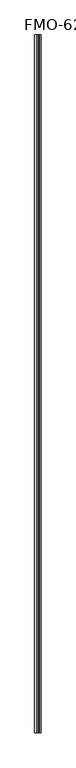
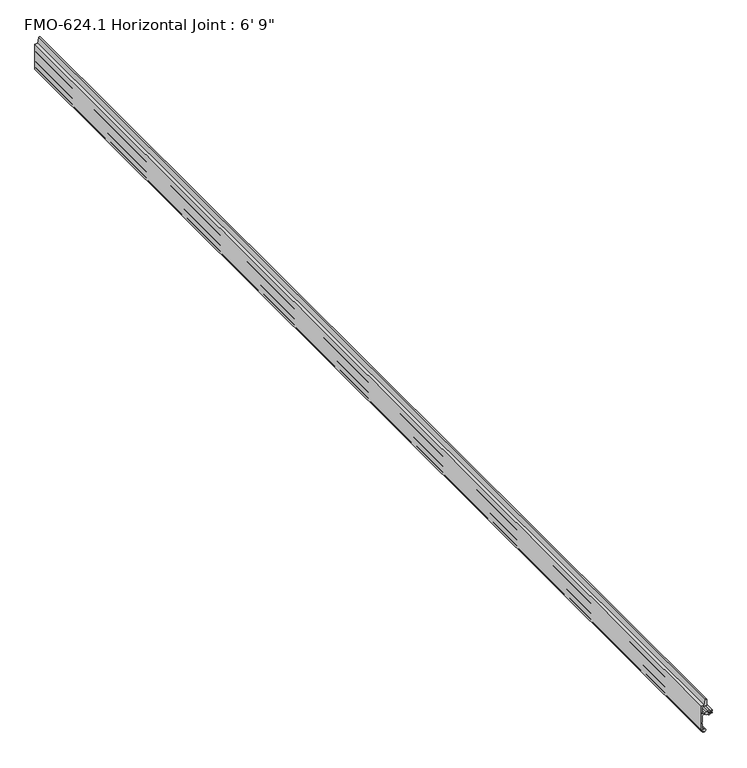
"""IFC4 building model written with IfcOpenShell, lengths in millimetres: proxy geometry."""

from ifc_helpers import new_model, si_unit, frame, origin, place, context, project, spatial, polyline, circle_curve, source, transform, mapped, element, save
from ifc_brep_helpers import plane_surface, cylinder_surface, revolved_surface, advanced_brep


def proxy_f82b5738(model_context):
    return source(origin(), model_context, "Body", "AdvancedBrep", [
        advanced_brep(
        [(43.8864961, 1943.6918793, 85.2309929), (45.6972862, 1943.6918793, 95.8071113), (48.0188665, 1943.6918793, 95.7408382), (48.0188665, 1943.6918793, 83.6561486), (41.3513016, 1943.6918793, 83.6561486), (40.0813235, 1943.6918793, 82.3804568), (40.0813235, 1943.6918793, 78.7644603), (39.6628931, 1943.6918793, 78.0397176), (39.6628931, 1943.6918793, 77.1283622), (40.0813391, 1943.6918793, 76.4035924), (40.0813391, 1943.6918793, 73.5408238), (40.0813391, 1943.6918793, 71.7729498), (41.9865077, 1943.6918793, 69.8679498), (45.7944714, 1943.6918793, 69.8644506), (47.3838391, 1943.6918793, 71.8962402), (50.5715391, 1943.6918793, 71.8962402), (53.7211391, 1943.6918793, 71.8962402), (57.5438391, 1943.6918793, 71.8962402), (57.5438391, 1943.6918793, 70.3214402), (56.5836387, 1943.6918793, 70.5967732), (55.6418383, 1943.6918793, 70.3267163), (54.8706628, 1943.6918793, 70.5772864), (54.122071, 1943.6918793, 70.3340542), (53.3656016, 1943.6918793, 70.579846), (52.6041542, 1943.6918793, 70.3324367), (51.8492918, 1943.6918793, 70.5777064), (51.0644896, 1943.6918793, 70.3227087), (50.0508391, 1943.6918793, 70.5754402), (50.0508391, 1943.6918793, 67.5274405), (51.0644896, 1943.6918793, 67.7801719), (51.8492918, 1943.6918793, 67.5251742), (52.6041542, 1943.6918793, 67.7704439), (53.3656016, 1943.6918793, 67.5230347), (54.122071, 1943.6918793, 67.7688265), (54.8706628, 1943.6918793, 67.5255943), (55.6418383, 1943.6918793, 67.7761644), (56.5836387, 1943.6918793, 67.5061074), (57.5438391, 1943.6918793, 67.7814405), (57.5438391, 1943.6918793, 66.2066402), (53.7211391, 1943.6918793, 66.2066402), (50.5715391, 1943.6918793, 66.2066402), (47.3838391, 1943.6918793, 66.2066402), (45.6909777, 1943.6918793, 68.2349308), (41.9863391, 1943.6918793, 68.2349308), (40.0813391, 1943.6918793, 66.3299308), (40.0813391, 1943.6918793, 55.3158626), (39.5721753, 1943.6918793, 54.7090648), (39.5721753, 1943.6918793, 52.7476605), (40.0813391, 1943.6918793, 52.1408626), (40.0813391, 1943.6918793, 40.9532506), (41.2663611, 1943.6918793, 40.7928411), (41.3889013, 1943.6918793, 41.5665297), (41.8602357, 1943.6918793, 42.1592975), (43.9037704, 1943.6918793, 41.510087), (45.5976091, 1943.6918793, 37.0130104), (43.9037704, 1943.6918793, 35.6909337), (42.2042526, 1943.6918793, 35.1604948), (41.3889013, 1943.6918793, 35.7314099), (41.3889013, 1943.6918793, 37.0797506), (39.8014013, 1943.6918793, 38.6672506), (38.4938391, 1943.6918793, 38.6672506), (38.4938391, 1943.6918793, 85.2309929), (43.8864961, -113.7081207, 85.2309929), (38.4938391, -113.7081207, 85.2309929), (38.4938391, -113.7081207, 38.6672506), (39.8014013, -113.7081207, 38.6672506), (41.3889013, -113.7081207, 37.0797506), (41.3889013, -113.7081207, 35.7314099), (42.2042526, -113.7081207, 35.1604948), (43.9037704, -113.7081207, 35.6909337), (45.5976091, -113.7081207, 37.0130104), (43.9037704, -113.7081207, 41.510087), (41.8602357, -113.7081207, 42.1592975), (41.3889013, -113.7081207, 41.5665297), (41.2663611, -113.7081207, 40.7928411), (40.0813391, -113.7081207, 40.9532506), (40.0813391, -113.7081207, 52.1408626), (39.5721753, -113.7081207, 52.7476605), (39.5721753, -113.7081207, 54.7090648), (40.0813391, -113.7081207, 55.3158626), (40.0813391, -113.7081207, 66.3299308), (41.9863391, -113.7081207, 68.2349308), (45.6909777, -113.7081207, 68.2349308), (47.3838391, -113.7081207, 66.2066402), (50.5715391, -113.7081207, 66.2066402), (53.7211391, -113.7081207, 66.2066402), (57.5438391, -113.7081207, 66.2066402), (57.5438391, -113.7081207, 67.7814405), (56.5836387, -113.7081207, 67.5061074), (55.6418383, -113.7081207, 67.7761644), (54.8706628, -113.7081207, 67.5255943), (54.122071, -113.7081207, 67.7688265), (53.3656016, -113.7081207, 67.5230347), (52.6041542, -113.7081207, 67.7704439), (51.8492918, -113.7081207, 67.5251742), (51.0644896, -113.7081207, 67.7801719), (50.0508391, -113.7081207, 67.5274405), (50.0508391, -113.7081207, 70.5754402), (51.0644896, -113.7081207, 70.3227087), (51.8492918, -113.7081207, 70.5777064), (52.6041542, -113.7081207, 70.3324367), (53.3656016, -113.7081207, 70.579846), (54.122071, -113.7081207, 70.3340542), (54.8706628, -113.7081207, 70.5772864), (55.6418383, -113.7081207, 70.3267163), (56.5836387, -113.7081207, 70.5967732), (57.5438391, -113.7081207, 70.3214402), (57.5438391, -113.7081207, 71.8962402), (53.7211391, -113.7081207, 71.8962402), (50.5715391, -113.7081207, 71.8962402), (47.3838391, -113.7081207, 71.8962402), (45.7944714, -113.7081207, 69.8644506), (41.9865077, -113.7081207, 69.8644506), (40.0813391, -113.7081207, 71.7729498), (40.0813391, -113.7081207, 73.5408238), (40.0813391, -113.7081207, 76.4035924), (39.6628931, -113.7081207, 77.1283622), (39.6628931, -113.7081207, 78.0397176), (40.0813235, -113.7081207, 78.7644603), (40.0813235, -113.7081207, 82.3804568), (41.3513016, -113.7081207, 83.6561486), (48.0188665, -113.7081207, 83.6561486), (48.0188665, -113.7081207, 95.7408382), (45.6972862, -113.7081207, 95.8071113)],
        [
            (0, 1),
            (1, 2, circle_curve(frame((46.825999, 1943.6918793, 94.6502894), z_axis=(0.0, 1.0, 0.0), x_axis=(0.7379213747925654, 0.0, 0.6748866902112164)), 1.6162393)),
            (2, 3),
            (3, 4),
            (4, 5, circle_curve(frame((41.3513016, 1943.6918793, 82.3861577), z_axis=(0.0, -1.0, 0.0), x_axis=(-0.9999999999481374, 0.0, -1.018456077345067e-05)), 1.2699909)),
            (5, 6),
            (6, 7),
            (7, 8),
            (8, 9),
            (9, 10),
            (10, 11),
            (11, 12, circle_curve(frame((41.9863391, 1943.6918793, 71.7729498), z_axis=(0.0, -1.0, 0.0), x_axis=(8.850701346389434e-05, 0.0, -0.9999999960832544)), 1.905)),
            (12, 13),
            (13, 14, circle_curve(frame((45.7944714, 1943.6918793, 71.501987), z_axis=(0.0, -1.0, 0.0), x_axis=(1.0, 0.0, 0.0)), 1.6375364)),
            (14, 15),
            (15, 16, circle_curve(frame((52.1463391, 1943.6918793, 71.8962402), z_axis=(0.0, 1.0, 0.0), x_axis=(1.0, 0.0, 0.0)), 1.5748)),
            (16, 17),
            (17, 18),
            (18, 19),
            (19, 20),
            (20, 21),
            (21, 22),
            (22, 23),
            (23, 24),
            (24, 25),
            (25, 26),
            (26, 27),
            (27, 28),
            (28, 29),
            (29, 30),
            (30, 31),
            (31, 32),
            (32, 33),
            (33, 34),
            (34, 35),
            (35, 36),
            (36, 37),
            (37, 38),
            (38, 39),
            (39, 40, circle_curve(frame((52.1463391, 1943.6918793, 66.2066402), z_axis=(0.0, 1.0, 0.0), x_axis=(-1.0, 0.0, 0.0)), 1.5748)),
            (40, 41),
            (41, 42, circle_curve(frame((45.6909777, 1943.6918793, 66.5143335), z_axis=(0.0, -1.0, 0.0), x_axis=(1.0, 0.0, 0.0)), 1.7205973)),
            (42, 43),
            (43, 44, circle_curve(frame((41.9863391, 1943.6918793, 66.3299308), z_axis=(0.0, -1.0, 0.0), x_axis=(-0.9999999801293349, 0.0, -0.00019935227558193571)), 1.905)),
            (44, 45),
            (45, 46),
            (46, 47),
            (47, 48),
            (48, 49),
            (49, 50, circle_curve(frame((40.7002242, 1943.6918793, 41.0678843), z_axis=(0.0, -1.0, 0.0), x_axis=(1.0, 0.0, 0.0)), 0.6294122)),
            (50, 51),
            (51, 52, circle_curve(frame((41.7375399, 1943.6918793, 41.7730853), z_axis=(0.0, 1.0, 0.0), x_axis=(1.0, 0.0, 0.0)), 0.4052334)),
            (52, 53),
            (53, 54, circle_curve(frame((42.9956583, 1943.6918793, 38.6005104), z_axis=(0.0, 1.0, 0.0), x_axis=(0.8536583853572723, 0.0, -0.520833333331513)), 3.048)),
            (54, 55, circle_curve(frame((42.9956583, 1943.6918793, 38.6005104), z_axis=(0.0, 1.0, 0.0), x_axis=(0.29793703930812127, 0.0, -0.9545855229408788)), 3.048)),
            (55, 56),
            (56, 57, circle_curve(frame((41.8161459, 1943.6918793, 35.4738997), z_axis=(0.0, 1.0, 0.0), x_axis=(1.0, 0.0, 0.0)), 0.4988481)),
            (57, 58),
            (58, 59, circle_curve(frame((39.8014013, 1943.6918793, 37.0797506), z_axis=(0.0, -1.0, 0.0), x_axis=(0.0, 0.0, 1.0)), 1.5875)),
            (59, 60),
            (60, 61),
            (61, 0),
            (62, 63),
            (63, 64),
            (64, 65),
            (65, 66, circle_curve(frame((39.8014013, -113.7081207, 37.0797506), z_axis=(0.0, 1.0, 0.0), x_axis=(0.0, 0.0, 1.0)), 1.5875)),
            (66, 67),
            (67, 68, circle_curve(frame((41.8161459, -113.7081207, 35.4738997), z_axis=(0.0, -1.0, 0.0), x_axis=(1.0, 0.0, 0.0)), 0.4988481)),
            (68, 69),
            (69, 70, circle_curve(frame((42.9956583, -113.7081207, 38.6005104), z_axis=(0.0, -1.0, 0.0), x_axis=(0.29793703930812127, 0.0, -0.9545855229408788)), 3.048)),
            (70, 71, circle_curve(frame((42.9956583, -113.7081207, 38.6005104), z_axis=(0.0, -1.0, 0.0), x_axis=(0.8536583853572723, 0.0, -0.520833333331513)), 3.048)),
            (71, 72),
            (72, 73, circle_curve(frame((41.7375399, -113.7081207, 41.7730853), z_axis=(0.0, -1.0, 0.0), x_axis=(1.0, 0.0, 0.0)), 0.4052334)),
            (73, 74),
            (74, 75, circle_curve(frame((40.7002242, -113.7081207, 41.0678843), z_axis=(0.0, 1.0, 0.0), x_axis=(1.0, 0.0, 0.0)), 0.6294122)),
            (75, 76),
            (76, 77),
            (77, 78),
            (78, 79),
            (79, 80),
            (80, 81, circle_curve(frame((41.9863391, -113.7081207, 66.3299308), z_axis=(0.0, 1.0, 0.0), x_axis=(-0.9999999801293349, 0.0, -0.00019935227558193571)), 1.905)),
            (81, 82),
            (82, 83, circle_curve(frame((45.6909777, -113.7081207, 66.5143335), z_axis=(0.0, 1.0, 0.0), x_axis=(1.0, 0.0, 0.0)), 1.7205973)),
            (83, 84),
            (84, 85, circle_curve(frame((52.1463391, -113.7081207, 66.2066402), z_axis=(0.0, -1.0, 0.0), x_axis=(-1.0, 0.0, 0.0)), 1.5748)),
            (85, 86),
            (86, 87),
            (87, 88),
            (88, 89),
            (89, 90),
            (90, 91),
            (91, 92),
            (92, 93),
            (93, 94),
            (94, 95),
            (95, 96),
            (96, 97),
            (97, 98),
            (98, 99),
            (99, 100),
            (100, 101),
            (101, 102),
            (102, 103),
            (103, 104),
            (104, 105),
            (105, 106),
            (106, 107),
            (107, 108),
            (108, 109, circle_curve(frame((52.1463391, -113.7081207, 71.8962402), z_axis=(0.0, -1.0, 0.0), x_axis=(1.0, 0.0, 0.0)), 1.5748)),
            (109, 110),
            (110, 111, circle_curve(frame((45.7944714, -113.7081207, 71.501987), z_axis=(0.0, 1.0, 0.0), x_axis=(1.0, 0.0, 0.0)), 1.6375364)),
            (111, 112),
            (112, 113, circle_curve(frame((41.9863391, -113.7081207, 71.7729498), z_axis=(0.0, 1.0, 0.0), x_axis=(8.850701346389434e-05, 0.0, -0.9999999960832544)), 1.905)),
            (113, 114),
            (114, 115),
            (115, 116),
            (116, 117),
            (117, 118),
            (118, 119),
            (119, 120, circle_curve(frame((41.3513016, -113.7081207, 82.3861577), z_axis=(0.0, 1.0, 0.0), x_axis=(-0.9999999999481374, 0.0, -1.018456077345067e-05)), 1.2699909)),
            (120, 121),
            (121, 122),
            (122, 123, circle_curve(frame((46.825999, -113.7081207, 94.6502894), z_axis=(0.0, -1.0, 0.0), x_axis=(0.7379213747925654, 0.0, 0.6748866902112164)), 1.6162393)),
            (123, 62),
            (61, 63),
            (62, 0),
            (60, 64),
            (59, 65),
            (58, 66),
            (57, 67),
            (56, 68),
            (55, 69),
            (54, 70),
            (53, 71),
            (52, 72),
            (51, 73),
            (50, 74),
            (49, 75),
            (48, 76),
            (47, 77),
            (46, 78),
            (45, 79),
            (44, 80),
            (43, 81),
            (42, 82),
            (41, 83),
            (40, 84),
            (39, 85),
            (38, 86),
            (37, 87),
            (36, 88),
            (35, 89),
            (34, 90),
            (33, 91),
            (32, 92),
            (31, 93),
            (30, 94),
            (29, 95),
            (28, 96),
            (27, 97),
            (26, 98),
            (25, 99),
            (24, 100),
            (23, 101),
            (22, 102),
            (21, 103),
            (20, 104),
            (19, 105),
            (18, 106),
            (17, 107),
            (16, 108),
            (15, 109),
            (14, 110),
            (13, 111),
            (12, 112),
            (11, 113),
            (10, 114),
            (9, 115),
            (8, 116),
            (7, 117),
            (6, 118),
            (5, 119),
            (4, 120),
            (3, 121),
            (2, 122),
            (1, 123),
        ],
        [
            plane_surface(frame((43.8864961, 1943.6918793, 85.2309929), z_axis=(0.0, 1.0, 0.0), x_axis=(-1.0, 0.0, 0.0))),
            plane_surface(frame((43.8864961, -113.7081207, 85.2309929), z_axis=(0.0, -1.0, 0.0), x_axis=(1.0, 0.0, 0.0))),
            plane_surface(frame((43.8864961, 1943.6918793, 85.2309929), z_axis=(0.0, 0.0, 1.0), x_axis=(0.0, -1.0, 0.0))),
            plane_surface(frame((38.4938391, 1943.6918793, 85.2309929), z_axis=(-1.0, 0.0, 0.0), x_axis=(0.0, -1.0, 0.0))),
            plane_surface(frame((38.4938391, 1943.6918793, 38.6672506), z_axis=(0.0, 0.0, -1.0), x_axis=(0.0, -1.0, 0.0))),
            revolved_surface(polyline([(39.8014013, -113.7081207, 38.667250599999996), (39.8014013, 1943.6918793, 38.667250599999996)]), (39.8014013, -113.7081207, 37.0797506), (0.0, -1.0, 0.0)),
            plane_surface(frame((41.3889013, 1943.6918793, 37.0797506), z_axis=(-1.0, 0.0, 0.0), x_axis=(0.0, -1.0, 0.0))),
            cylinder_surface(frame((41.8161459, -113.7081207, 35.4738997), z_axis=(0.0, 1.0, 0.0), x_axis=(1.0, 0.0, 0.0)), 0.4988481),
            plane_surface(frame((42.2042526, 1943.6918793, 35.1604948), z_axis=(0.2979370392425104, 0.0, -0.9545855229613567), x_axis=(0.0, -1.0, 0.0))),
            cylinder_surface(frame((42.9956583, -113.7081207, 38.6005104), z_axis=(0.0, 1.0, 0.0), x_axis=(0.29793703930812127, 0.0, -0.9545855229408788)), 3.048),
            cylinder_surface(frame((42.9956583, -113.7081207, 38.6005104), z_axis=(0.0, 1.0000000000000002, 0.0), x_axis=(0.8536583853572723, 0.0, -0.520833333331513)), 3.048),
            plane_surface(frame((43.9037704, 1943.6918793, 41.510087), z_axis=(0.3027779587853101, 0.0, 0.9530611248360732), x_axis=(0.0, -1.0, 0.0))),
            cylinder_surface(frame((41.7375399, -113.7081207, 41.7730853), z_axis=(0.0, 1.0, 0.0), x_axis=(1.0, 0.0, 0.0)), 0.4052334),
            plane_surface(frame((41.3889013, 1943.6918793, 41.5665297), z_axis=(-0.987688340595137, 0.0, 0.15643446504023545), x_axis=(0.0, -1.0, 0.0))),
            revolved_surface(polyline([(41.3296364, -113.7081207, 41.0678843), (41.3296364, 1943.6918793, 41.0678843)]), (40.7002242, -113.7081207, 41.0678843), (0.0, -1.0, 0.0)),
            plane_surface(frame((40.0813391, 1943.6918793, 40.9532506), z_axis=(1.0, 0.0, 0.0), x_axis=(0.0, -1.0, 0.0))),
            plane_surface(frame((40.0813391, 1943.6918793, 52.1408626), z_axis=(0.766044443118981, 0.0, 0.6427876096865358), x_axis=(0.0, -1.0, 0.0))),
            plane_surface(frame((39.5721753, 1943.6918793, 52.7476605), z_axis=(1.0, 0.0, 0.0), x_axis=(0.0, -1.0, 0.0))),
            plane_surface(frame((39.5721753, 1943.6918793, 54.7090648), z_axis=(0.7660444431189779, 0.0, -0.6427876096865396), x_axis=(0.0, -1.0, 0.0))),
            plane_surface(frame((40.0813391, 1943.6918793, 55.3158626), z_axis=(1.0, 0.0, 0.0), x_axis=(0.0, -1.0, 0.0))),
            revolved_surface(polyline([(40.08133913785362, -113.7081207, 66.32955103391501), (40.08133913785362, 1943.6918793, 66.32955103391501)]), (41.9863391, -113.7081207, 66.3299308), (0.0, -1.0, 0.0)),
            plane_surface(frame((41.9863391, 1943.6918793, 68.2349308), z_axis=(-2.014072683807843e-09, 0.0, -1.0), x_axis=(0.0, -1.0, 0.0))),
            revolved_surface(polyline([(47.411575, -113.7081207, 66.5143335), (47.411575, 1943.6918793, 66.5143335)]), (45.6909777, -113.7081207, 66.5143335), (0.0, -1.0, 0.0)),
            plane_surface(frame((47.3838391, 1943.6918793, 66.2066402), z_axis=(0.0, 0.0, -1.0), x_axis=(0.0, -1.0, 0.0))),
            cylinder_surface(frame((52.1463391, -113.7081207, 66.2066402), z_axis=(0.0, 1.0, 0.0), x_axis=(-1.0, 0.0, 0.0)), 1.5748),
            plane_surface(frame((53.7211391, 1943.6918793, 66.2066402), z_axis=(0.0, 0.0, -1.0), x_axis=(0.0, -1.0, 0.0))),
            plane_surface(frame((57.5438391, 1943.6918793, 66.2066402), z_axis=(1.0, 0.0, 0.0), x_axis=(0.0, -1.0, 0.0))),
            plane_surface(frame((57.5438391, 1943.6918793, 67.7814405), z_axis=(-0.2756373558170055, 0.0, 0.9612616959383171), x_axis=(0.0, -1.0, 0.0))),
            plane_surface(frame((56.5836387, 1943.6918793, 67.5061074), z_axis=(0.27563735581699195, 0.0, 0.961261695938321), x_axis=(0.0, -1.0, 0.0))),
            plane_surface(frame((55.6418383, 1943.6918793, 67.7761644), z_axis=(-0.3090169943749583, 0.0, 0.9510565162951501), x_axis=(0.0, -1.0, 0.0))),
            plane_surface(frame((54.8706628, 1943.6918793, 67.5255943), z_axis=(0.3090169943749459, 0.0, 0.9510565162951541), x_axis=(0.0, -1.0, 0.0))),
            plane_surface(frame((54.122071, 1943.6918793, 67.7688265), z_axis=(-0.3090169943749517, 0.0, 0.9510565162951522), x_axis=(0.0, -1.0, 0.0))),
            plane_surface(frame((53.3656016, 1943.6918793, 67.5230347), z_axis=(0.30901699437493846, 0.0, 0.9510565162951565), x_axis=(0.0, -1.0, 0.0))),
            plane_surface(frame((52.6041542, 1943.6918793, 67.7704439), z_axis=(-0.3090169943749466, 0.0, 0.9510565162951539), x_axis=(0.0, -1.0, 0.0))),
            plane_surface(frame((51.8492918, 1943.6918793, 67.5251742), z_axis=(0.30901699437493146, 0.0, 0.9510565162951587), x_axis=(0.0, -1.0, 0.0))),
            plane_surface(frame((51.0644896, 1943.6918793, 67.7801719), z_axis=(-0.24192189559967506, 0.0, 0.9702957262759947), x_axis=(0.0, -1.0, 0.0))),
            plane_surface(frame((50.0508391, 1943.6918793, 67.5274405), z_axis=(1.0, 0.0, 0.0), x_axis=(0.0, -1.0, 0.0))),
            plane_surface(frame((50.0508391, 1943.6918793, 70.5754402), z_axis=(-0.24192189559967506, 0.0, -0.9702957262759947), x_axis=(0.0, -1.0, 0.0))),
            plane_surface(frame((51.0644896, 1943.6918793, 70.3227087), z_axis=(0.30901699437493146, 0.0, -0.9510565162951587), x_axis=(0.0, -1.0, 0.0))),
            plane_surface(frame((51.8492918, 1943.6918793, 70.5777064), z_axis=(-0.3090169943749563, 0.0, -0.9510565162951508), x_axis=(0.0, -1.0, 0.0))),
            plane_surface(frame((52.6041542, 1943.6918793, 70.3324367), z_axis=(0.3090169943749511, 0.0, -0.9510565162951524), x_axis=(0.0, -1.0, 0.0))),
            plane_surface(frame((53.3656016, 1943.6918793, 70.579846), z_axis=(-0.3090169943749515, 0.0, -0.9510565162951523), x_axis=(0.0, -1.0, 0.0))),
            plane_surface(frame((54.122071, 1943.6918793, 70.3340542), z_axis=(0.3090169943749461, 0.0, -0.9510565162951541), x_axis=(0.0, -1.0, 0.0))),
            plane_surface(frame((54.8706628, 1943.6918793, 70.5772864), z_axis=(-0.3090169943749552, 0.0, -0.9510565162951511), x_axis=(0.0, -1.0, 0.0))),
            plane_surface(frame((55.6418383, 1943.6918793, 70.3267163), z_axis=(0.2756373558169943, 0.0, -0.9612616959383203), x_axis=(0.0, -1.0, 0.0))),
            plane_surface(frame((56.5836387, 1943.6918793, 70.5967732), z_axis=(-0.2756373558170032, 0.0, -0.9612616959383177), x_axis=(0.0, -1.0, 0.0))),
            plane_surface(frame((57.5438391, 1943.6918793, 70.3214402), z_axis=(1.0, 0.0, 0.0), x_axis=(0.0, -1.0, 0.0))),
            plane_surface(frame((57.5438391, 1943.6918793, 71.8962402), z_axis=(0.0, 0.0, 1.0), x_axis=(0.0, -1.0, 0.0))),
            cylinder_surface(frame((52.1463391, -113.7081207, 71.8962402), z_axis=(0.0, 1.0, 0.0), x_axis=(1.0, 0.0, 0.0)), 1.5748),
            plane_surface(frame((50.5715391, 1943.6918793, 71.8962402), z_axis=(0.0, 0.0, 1.0), x_axis=(0.0, -1.0, 0.0))),
            revolved_surface(polyline([(47.4320078, -113.7081207, 71.501987), (47.4320078, 1943.6918793, 71.501987)]), (45.7944714, -113.7081207, 71.501987), (0.0, -1.0, 0.0)),
            plane_surface(frame((45.7944714, 1943.6918793, 69.8644506), z_axis=(0.0, 0.0, 1.0), x_axis=(0.0, -1.0, 0.0))),
            revolved_surface(polyline([(41.98650770586065, -113.7081207, 69.8679498074614), (41.98650770586065, 1943.691879300001, 69.8679498074614)]), (41.9863391, -113.7081207, 71.7729498), (0.0, -1.0000000000000002, 0.0)),
            plane_surface(frame((40.0813391, 1943.6918793, 71.7729498), z_axis=(1.0, 0.0, 0.0), x_axis=(0.0, -1.0, 0.0))),
            plane_surface(frame((40.0813391, 1943.6918793, 73.5408238), z_axis=(1.0, 0.0, 0.0), x_axis=(0.0, -1.0, 0.0))),
            plane_surface(frame((40.0813391, 1943.6918793, 76.4035924), z_axis=(0.8660254037844409, 0.0, 0.4999999999999961), x_axis=(0.0, -1.0, 0.0))),
            plane_surface(frame((39.6628931, 1943.6918793, 77.1283622), z_axis=(1.0, 0.0, 0.0), x_axis=(0.0, -1.0, 0.0))),
            plane_surface(frame((39.6628931, 1943.6918793, 78.0397176), z_axis=(0.8660254037844394, 0.0, -0.49999999999999883), x_axis=(0.0, -1.0, 0.0))),
            plane_surface(frame((40.0813235, 1943.6918793, 78.7644603), z_axis=(1.0, 0.0, 0.0), x_axis=(0.0, -1.0, 0.0))),
            revolved_surface(polyline([(40.08131070006586, -113.7081207, 82.3861447657005), (40.08131070006586, 1943.6918793, 82.3861447657005)]), (41.3513016, -113.7081207, 82.3861577), (0.0, -1.0, 0.0)),
            plane_surface(frame((41.3513016, 1943.6918793, 83.6561486), z_axis=(-9.878985469410798e-12, 0.0, -1.0), x_axis=(0.0, -1.0, 0.0))),
            plane_surface(frame((48.0188665, 1943.6918793, 83.6561486), z_axis=(1.0, 0.0, 0.0), x_axis=(0.0, -1.0, 0.0))),
            cylinder_surface(frame((46.825999, -113.7081207, 94.6502894), z_axis=(0.0, 1.0, 0.0), x_axis=(0.7379213747925654, 0.0, 0.6748866902112164)), 1.6162393),
            plane_surface(frame((45.6972862, 1943.6918793, 95.8071113), z_axis=(-0.9856572913699005, 0.0, 0.16875930780063997), x_axis=(0.0, -1.0, 0.0))),
        ],
        [
            (0, [[1, 2, 3, 4, 5, 6, 7, 8, 9, 10, 11, 12, 13, 14, 15, 16, 17, 18, 19, 20, 21, 22, 23, 24, 25, 26, 27, 28, 29, 30, 31, 32, 33, 34, 35, 36, 37, 38, 39, 40, 41, 42, 43, 44, 45, 46, 47, 48, 49, 50, 51, 52, 53, 54, 55, 56, 57, 58, 59, 60, 61, 62]]),
            (1, [[63, 64, 65, 66, 67, 68, 69, 70, 71, 72, 73, 74, 75, 76, 77, 78, 79, 80, 81, 82, 83, 84, 85, 86, 87, 88, 89, 90, 91, 92, 93, 94, 95, 96, 97, 98, 99, 100, 101, 102, 103, 104, 105, 106, 107, 108, 109, 110, 111, 112, 113, 114, 115, 116, 117, 118, 119, 120, 121, 122, 123, 124]]),
            (2, [[125, -63, 126, -62]]),
            (3, [[127, -64, -125, -61]]),
            (4, [[128, -65, -127, -60]]),
            (5, [[129, -66, -128, -59]]),
            (6, [[130, -67, -129, -58]]),
            (7, [[131, -68, -130, -57]]),
            (8, [[132, -69, -131, -56]]),
            (9, [[133, -70, -132, -55]]),
            (10, [[134, -71, -133, -54]]),
            (11, [[135, -72, -134, -53]]),
            (12, [[136, -73, -135, -52]]),
            (13, [[137, -74, -136, -51]]),
            (14, [[138, -75, -137, -50]]),
            (15, [[139, -76, -138, -49]]),
            (16, [[140, -77, -139, -48]]),
            (17, [[141, -78, -140, -47]]),
            (18, [[142, -79, -141, -46]]),
            (19, [[143, -80, -142, -45]]),
            (20, [[144, -81, -143, -44]]),
            (21, [[145, -82, -144, -43]]),
            (22, [[146, -83, -145, -42]]),
            (23, [[147, -84, -146, -41]]),
            (24, [[148, -85, -147, -40]]),
            (25, [[149, -86, -148, -39]]),
            (26, [[150, -87, -149, -38]]),
            (27, [[151, -88, -150, -37]]),
            (28, [[152, -89, -151, -36]]),
            (29, [[153, -90, -152, -35]]),
            (30, [[154, -91, -153, -34]]),
            (31, [[155, -92, -154, -33]]),
            (32, [[156, -93, -155, -32]]),
            (33, [[157, -94, -156, -31]]),
            (34, [[158, -95, -157, -30]]),
            (35, [[159, -96, -158, -29]]),
            (36, [[160, -97, -159, -28]]),
            (37, [[161, -98, -160, -27]]),
            (38, [[162, -99, -161, -26]]),
            (39, [[163, -100, -162, -25]]),
            (40, [[164, -101, -163, -24]]),
            (41, [[165, -102, -164, -23]]),
            (42, [[166, -103, -165, -22]]),
            (43, [[167, -104, -166, -21]]),
            (44, [[168, -105, -167, -20]]),
            (45, [[169, -106, -168, -19]]),
            (46, [[170, -107, -169, -18]]),
            (47, [[171, -108, -170, -17]]),
            (48, [[172, -109, -171, -16]]),
            (49, [[173, -110, -172, -15]]),
            (50, [[174, -111, -173, -14]]),
            (51, [[175, -112, -174, -13]]),
            (52, [[176, -113, -175, -12]]),
            (53, [[177, -114, -176, -11]]),
            (54, [[178, -115, -177, -10]]),
            (55, [[179, -116, -178, -9]]),
            (56, [[180, -117, -179, -8]]),
            (57, [[181, -118, -180, -7]]),
            (58, [[182, -119, -181, -6]]),
            (59, [[183, -120, -182, -5]]),
            (60, [[184, -121, -183, -4]]),
            (61, [[185, -122, -184, -3]]),
            (62, [[186, -123, -185, -2]]),
            (63, [[-126, -124, -186, -1]]),
        ],
    ),
    ])


if __name__ == "__main__":
    model = new_model("IFC4")
    model_context = context("Model", 3, world=origin())
    ifc_project = project(units=[si_unit("LENGTHUNIT", "METRE", prefix="MILLI")], contexts=[model_context])
    site = spatial("IfcSite", under=ifc_project)
    building = spatial("IfcBuilding", under=site)
    placement = place(None, origin())
    proxy_shape = proxy_f82b5738(model_context)
    element("IfcBuildingElementProxy", 1, Name="FMO-624.1 Horizontal Joint : 6' 9\"", ObjectType="FMO-624.1 Horizontal Joint : 6' 9\"", at=placement, inside=building, context=model_context, shape_type="MappedRepresentation", body=[
        mapped(proxy_shape, transform((0.0, 0.0, 0.0), x_axis=(1.0, 0.0, 0.0), y_axis=(0.0, 1.0, 0.0), z_axis=(0.0, 0.0, 1.0))),
    ])
    save(model, "model.ifc")
